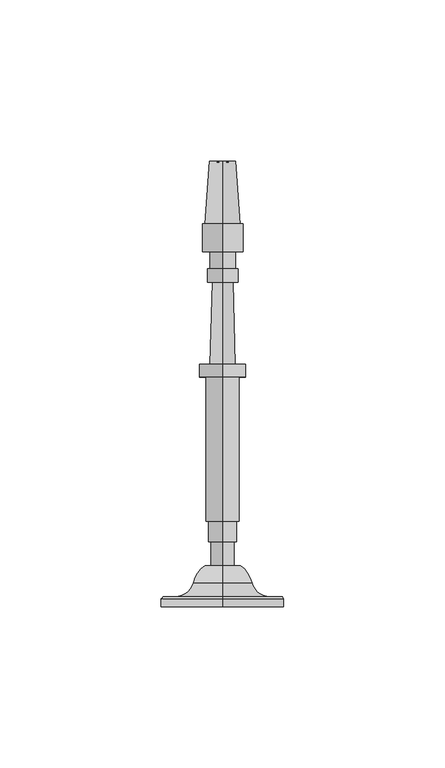
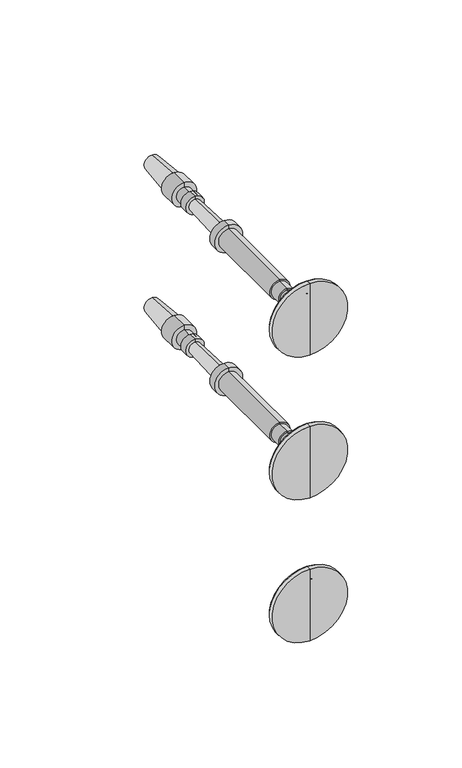
"""IFC4 building model written with IfcOpenShell, lengths in millimetres: railing geometry."""

from ifc_helpers import new_model, si_unit, point, frame, origin, place, context, project, spatial, polyline, circle_curve, ellipse_curve, trimmed, source, transform, mapped, element, save
from ifc_brep_helpers import plane_surface, cylinder_surface, revolved_surface, advanced_brep


def railing_d52af2fc(model_context):
    return source(origin(), model_context, "Body", "AdvancedBrep", [
        advanced_brep(
        [(4097.4568095, 16755.5660637, 32915.0001631), (4097.4568095, 16755.5660637, 32934.0501631), (4097.4568095, 16755.5660637, 32895.9501631), (4097.4568095, 16768.2587003, 32909.4769785), (4097.4568095, 16768.2587003, 32920.5233478), (4097.4568095, 16768.2587003, 32915.0001631), (4097.4568095, 16762.9826039, 32905.8720381), (4097.4568095, 16762.9826039, 32924.1282881), (4097.4568095, 16758.6169789, 32900.2458254), (4097.4568095, 16758.6169789, 32929.7545009), (4097.4568095, 16758.6169789, 32896.3762941), (4097.4568095, 16758.6169789, 32933.6240321), (4097.4568095, 16757.9473137, 32895.9501631), (4097.4568095, 16757.9473137, 32934.0501631)],
        [
            (0, 1),
            (1, 2, circle_curve(frame((4097.4568095, 16755.5660637, 32915.0001631), z_axis=(0.0, -1.0, 0.0), x_axis=(0.0, 0.0, 1.0)), 19.05)),
            (2, 0),
            (2, 1, circle_curve(frame((4097.4568095, 16755.5660637, 32915.0001631), z_axis=(0.0, -1.0, 0.0), x_axis=(0.0, 0.0, 1.0)), 19.05)),
            (3, 4, circle_curve(frame((4097.4568095, 16768.2587003, 32915.0001631), z_axis=(0.0, 1.0, 0.0), x_axis=(0.0, 0.0, 1.0)), 5.5231846)),
            (4, 5),
            (5, 3),
            (4, 3, circle_curve(frame((4097.4568095, 16768.2587003, 32915.0001631), z_axis=(0.0, 1.0, 0.0), x_axis=(0.0, 0.0, 1.0)), 5.5231846)),
            (6, 7, circle_curve(frame((4097.4568095, 16762.9826039, 32915.0001631), z_axis=(0.0, 1.0, 0.0), x_axis=(0.0, 0.0, 1.0)), 9.128125)),
            (7, 4, circle_curve(frame((4097.4568095, 16760.6581952, 32915.0628958), z_axis=(-1.0, 0.0, 0.0), x_axis=(0.0, 1.0, 0.0)), 9.3586438)),
            (3, 6, circle_curve(frame((4097.4568095, 16760.6581952, 32914.9374304), z_axis=(-1.0, 0.0, 0.0), x_axis=(0.0, 1.0, 0.0)), 9.3586438)),
            (7, 6, circle_curve(frame((4097.4568095, 16762.9826039, 32915.0001631), z_axis=(0.0, 1.0, 0.0), x_axis=(0.0, 0.0, 1.0)), 9.128125)),
            (8, 9, circle_curve(frame((4097.4568095, 16758.6169789, 32915.0001631), z_axis=(0.0, 1.0, 0.0), x_axis=(0.0, 0.0, 1.0)), 14.7543378)),
            (9, 7, circle_curve(frame((4097.4568095, 16764.4251909, 32929.7545009), z_axis=(1.0, 0.0, 0.0), x_axis=(0.0, 1.0, 0.0)), 5.8082121)),
            (6, 8, circle_curve(frame((4097.4568095, 16764.4251909, 32900.2458254), z_axis=(1.0, 0.0, 0.0), x_axis=(0.0, 1.0, 0.0)), 5.8082121)),
            (9, 8, circle_curve(frame((4097.4568095, 16758.6169789, 32915.0001631), z_axis=(0.0, 1.0, 0.0), x_axis=(0.0, 0.0, 1.0)), 14.7543378)),
            (10, 11, circle_curve(frame((4097.4568095, 16758.6169789, 32915.0001631), z_axis=(0.0, 1.0, 0.0), x_axis=(0.0, 0.0, 1.0)), 18.623869)),
            (11, 9),
            (8, 10),
            (11, 10, circle_curve(frame((4097.4568095, 16758.6169789, 32915.0001631), z_axis=(0.0, 1.0, 0.0), x_axis=(0.0, 0.0, 1.0)), 18.623869)),
            (12, 13, circle_curve(frame((4097.4568095, 16757.9473137, 32915.0001631), z_axis=(0.0, 1.0, 0.0), x_axis=(0.0, 0.0, 1.0)), 19.05)),
            (13, 11),
            (10, 12),
            (13, 12, circle_curve(frame((4097.4568095, 16757.9473137, 32915.0001631), z_axis=(0.0, 1.0, 0.0), x_axis=(0.0, 0.0, 1.0)), 19.05)),
            (1, 13),
            (12, 2),
        ],
        [
            plane_surface(frame((4097.4568095, 16755.5660637, 32915.0001631), z_axis=(0.0, -1.0, 0.0), x_axis=(0.0, 0.0, 1.0))),
            plane_surface(frame((4097.4568095, 16768.2587003, 32915.0001631), z_axis=(0.0, 1.0, 0.0), x_axis=(0.0, 0.0, 1.0))),
            revolved_surface(trimmed(ellipse_curve(frame((4097.4568095, 16760.6581952, 32915.0628958), z_axis=(1.0, 0.0, 0.0), x_axis=(0.0, 1.0, 0.0)), 9.3586438, 9.3586438), [point((4097.4568095, 16768.2587003, 32920.5233478))], [point((4097.4568095, 16762.9826039, 32924.1282881))], True, "CARTESIAN"), (4097.4568095, 16755.5660637, 32915.0001631), (0.0, -1.0, 0.0)),
            revolved_surface(trimmed(ellipse_curve(frame((4097.4568095, 16764.4251909, 32929.7545009), z_axis=(-1.0, 0.0, 0.0), x_axis=(0.0, 1.0, 0.0)), 5.8082121, 5.8082121), [point((4097.4568095, 16762.9826039, 32924.1282881))], [point((4097.4568095, 16758.6169789, 32929.7545009))], True, "CARTESIAN"), (4097.4568095, 16755.5660637, 32915.0001631), (0.0, -1.0, 0.0)),
            plane_surface(frame((4097.4568095, 16758.6169789, 32915.0001631), z_axis=(0.0, 1.0, 0.0), x_axis=(0.0, 0.0, 1.0))),
            revolved_surface(polyline([(4097.4568095, 16758.6169789, 32933.6240321), (4097.4568095, 16757.9473137, 32934.0501631)]), (4097.4568095, 16755.5660637, 32915.0001631), (0.0, -1.0, 0.0)),
            cylinder_surface(frame((4097.4568095, 16755.5660637, 32915.0001631), z_axis=(0.0, -1.0, 0.0), x_axis=(0.0, 0.0, 1.0)), 19.05),
        ],
        [
            (0, [[1, 2, 3]]),
            (0, [[-3, 4, -1]]),
            (1, [[5, 6, 7]]),
            (1, [[8, -7, -6]]),
            (2, [[9, 10, -5, 11]]),
            (2, [[12, -11, -8, -10]]),
            (3, [[13, 14, -9, 15]]),
            (3, [[16, -15, -12, -14]]),
            (4, [[17, 18, -13, 19]]),
            (4, [[20, -19, -16, -18]]),
            (5, [[21, 22, -17, 23]]),
            (5, [[24, -23, -20, -22]]),
            (6, [[-2, 25, -21, 26]]),
            (6, [[-4, -26, -24, -25]]),
        ],
    ),
        advanced_brep(
        [(4097.4568095, 16768.2587003, 32911.4282881), (4097.4568095, 16768.2587003, 32915.0001631), (4097.4568095, 16768.2587003, 32918.5720381), (4097.4568095, 16893.2025896, 32915.0001631), (4097.4568095, 16893.4982539, 32910.9757028), (4097.4568095, 16893.4982539, 32919.0246235), (4097.4568095, 16874.1548899, 32909.5546072), (4097.4568095, 16874.1548899, 32920.445719), (4097.4568095, 16874.1548899, 32908.6616385), (4097.4568095, 16874.1548899, 32921.3386877), (4097.4568095, 16865.5228587, 32908.6616385), (4097.4568095, 16865.5228587, 32921.3386877), (4097.4568095, 16865.5228587, 32911.0428885), (4097.4568095, 16865.5228587, 32918.9574377), (4097.4568095, 16860.1650462, 32911.0428885), (4097.4568095, 16860.1650462, 32918.9574377), (4097.4568095, 16860.1650462, 32910.2491385), (4097.4568095, 16860.1650462, 32919.7511877), (4097.4568095, 16856.0970774, 32910.2491385), (4097.4568095, 16856.0970774, 32919.7511877), (4097.4568095, 16856.0529903, 32911.8360262), (4097.4568095, 16856.0529903, 32918.1643), (4097.4568095, 16830.6627871, 32911.1306319), (4097.4568095, 16830.6627871, 32918.8696944), (4097.4568095, 16830.6627871, 32907.8564131), (4097.4568095, 16830.6627871, 32922.1439131), (4097.4568095, 16826.6940371, 32907.8564131), (4097.4568095, 16826.6940371, 32922.1439131), (4097.4568095, 16826.6940371, 32909.8407881), (4097.4568095, 16826.6940371, 32920.1595381), (4097.4568095, 16781.9463808, 32909.8407881), (4097.4568095, 16781.9463808, 32920.1595381), (4097.4568095, 16781.9463808, 32910.6345381), (4097.4568095, 16781.9463808, 32919.3657881), (4097.4568095, 16775.5963808, 32910.6345381), (4097.4568095, 16775.5963808, 32919.3657881), (4097.4568095, 16775.5963808, 32911.4282881), (4097.4568095, 16775.5963808, 32918.5720381)],
        [
            (0, 1),
            (1, 2),
            (2, 0, circle_curve(frame((4097.4568095, 16768.2587003, 32915.0001631), z_axis=(0.0, -1.0, 0.0), x_axis=(0.0, 0.0, 1.0000000000000002)), 3.571875)),
            (0, 2, circle_curve(frame((4097.4568095, 16768.2587003, 32915.0001631), z_axis=(0.0, -1.0, 0.0), x_axis=(0.0, 0.0, 1.0000000000000002)), 3.571875)),
            (3, 4),
            (4, 5, circle_curve(frame((4097.4568095, 16893.4982539, 32915.0001631), z_axis=(0.0, 1.0, 0.0), x_axis=(0.0, 0.0, 1.0000000000000002)), 4.0244604)),
            (5, 3),
            (5, 4, circle_curve(frame((4097.4568095, 16893.4982539, 32915.0001631), z_axis=(0.0, 1.0, 0.0), x_axis=(0.0, 0.0, 1.0000000000000002)), 4.0244604)),
            (4, 6),
            (6, 7, circle_curve(frame((4097.4568095, 16874.1548899, 32915.0001631), z_axis=(0.0, 1.0, 0.0), x_axis=(0.0, 0.0, 1.0000000000000002)), 5.4455559)),
            (7, 5),
            (7, 6, circle_curve(frame((4097.4568095, 16874.1548899, 32915.0001631), z_axis=(0.0, 1.0, 0.0), x_axis=(0.0, 0.0, 1.0000000000000002)), 5.4455559)),
            (6, 8),
            (8, 9, circle_curve(frame((4097.4568095, 16874.1548899, 32915.0001631), z_axis=(0.0, 1.0, 0.0), x_axis=(0.0, 0.0, 1.0000000000000002)), 6.3385246)),
            (9, 7),
            (9, 8, circle_curve(frame((4097.4568095, 16874.1548899, 32915.0001631), z_axis=(0.0, 1.0, 0.0), x_axis=(0.0, 0.0, 1.0000000000000002)), 6.3385246)),
            (8, 10),
            (10, 11, circle_curve(frame((4097.4568095, 16865.5228587, 32915.0001631), z_axis=(0.0, 1.0, 0.0), x_axis=(0.0, 0.0, 1.0000000000000002)), 6.3385246)),
            (11, 9),
            (11, 10, circle_curve(frame((4097.4568095, 16865.5228587, 32915.0001631), z_axis=(0.0, 1.0, 0.0), x_axis=(0.0, 0.0, 1.0000000000000002)), 6.3385246)),
            (10, 12),
            (12, 13, circle_curve(frame((4097.4568095, 16865.5228587, 32915.0001631), z_axis=(0.0, 1.0, 0.0), x_axis=(0.0, 0.0, 1.0000000000000002)), 3.9572746)),
            (13, 11),
            (13, 12, circle_curve(frame((4097.4568095, 16865.5228587, 32915.0001631), z_axis=(0.0, 1.0, 0.0), x_axis=(0.0, 0.0, 1.0000000000000002)), 3.9572746)),
            (12, 14),
            (14, 15, circle_curve(frame((4097.4568095, 16860.1650462, 32915.0001631), z_axis=(0.0, 1.0, 0.0), x_axis=(0.0, 0.0, 1.0000000000000002)), 3.9572746)),
            (15, 13),
            (15, 14, circle_curve(frame((4097.4568095, 16860.1650462, 32915.0001631), z_axis=(0.0, 1.0, 0.0), x_axis=(0.0, 0.0, 1.0000000000000002)), 3.9572746)),
            (14, 16),
            (16, 17, circle_curve(frame((4097.4568095, 16860.1650462, 32915.0001631), z_axis=(0.0, 1.0, 0.0), x_axis=(0.0, 0.0, 1.0000000000000002)), 4.7510246)),
            (17, 15),
            (17, 16, circle_curve(frame((4097.4568095, 16860.1650462, 32915.0001631), z_axis=(0.0, 1.0, 0.0), x_axis=(0.0, 0.0, 1.0000000000000002)), 4.7510246)),
            (16, 18),
            (18, 19, circle_curve(frame((4097.4568095, 16856.0970774, 32915.0001631), z_axis=(0.0, 1.0, 0.0), x_axis=(0.0, 0.0, 1.0000000000000002)), 4.7510246)),
            (19, 17),
            (19, 18, circle_curve(frame((4097.4568095, 16856.0970774, 32915.0001631), z_axis=(0.0, 1.0, 0.0), x_axis=(0.0, 0.0, 1.0000000000000002)), 4.7510246)),
            (18, 20),
            (20, 21, circle_curve(frame((4097.4568095, 16856.0529903, 32915.0001631), z_axis=(0.0, 1.0, 0.0), x_axis=(0.0, 0.0, 1.0000000000000002)), 3.1641369)),
            (21, 19),
            (21, 20, circle_curve(frame((4097.4568095, 16856.0529903, 32915.0001631), z_axis=(0.0, 1.0, 0.0), x_axis=(0.0, 0.0, 1.0000000000000002)), 3.1641369)),
            (20, 22),
            (22, 23, circle_curve(frame((4097.4568095, 16830.6627871, 32915.0001631), z_axis=(0.0, 1.0, 0.0), x_axis=(0.0, 0.0, 1.0000000000000002)), 3.8695313)),
            (23, 21),
            (23, 22, circle_curve(frame((4097.4568095, 16830.6627871, 32915.0001631), z_axis=(0.0, 1.0, 0.0), x_axis=(0.0, 0.0, 1.0000000000000002)), 3.8695313)),
            (22, 24),
            (24, 25, circle_curve(frame((4097.4568095, 16830.6627871, 32915.0001631), z_axis=(0.0, 1.0, 0.0), x_axis=(0.0, 0.0, 1.0000000000000002)), 7.14375)),
            (25, 23),
            (25, 24, circle_curve(frame((4097.4568095, 16830.6627871, 32915.0001631), z_axis=(0.0, 1.0, 0.0), x_axis=(0.0, 0.0, 1.0000000000000002)), 7.14375)),
            (24, 26),
            (26, 27, circle_curve(frame((4097.4568095, 16826.6940371, 32915.0001631), z_axis=(0.0, 1.0, 0.0), x_axis=(0.0, 0.0, 1.0000000000000002)), 7.14375)),
            (27, 25),
            (27, 26, circle_curve(frame((4097.4568095, 16826.6940371, 32915.0001631), z_axis=(0.0, 1.0, 0.0), x_axis=(0.0, 0.0, 1.0000000000000002)), 7.14375)),
            (26, 28),
            (28, 29, circle_curve(frame((4097.4568095, 16826.6940371, 32915.0001631), z_axis=(0.0, 1.0, 0.0), x_axis=(0.0, 0.0, 1.0000000000000002)), 5.159375)),
            (29, 27),
            (29, 28, circle_curve(frame((4097.4568095, 16826.6940371, 32915.0001631), z_axis=(0.0, 1.0, 0.0), x_axis=(0.0, 0.0, 1.0000000000000002)), 5.159375)),
            (28, 30),
            (30, 31, circle_curve(frame((4097.4568095, 16781.9463808, 32915.0001631), z_axis=(0.0, 1.0, 0.0), x_axis=(0.0, 0.0, 1.0000000000000002)), 5.159375)),
            (31, 29),
            (31, 30, circle_curve(frame((4097.4568095, 16781.9463808, 32915.0001631), z_axis=(0.0, 1.0, 0.0), x_axis=(0.0, 0.0, 1.0000000000000002)), 5.159375)),
            (30, 32),
            (32, 33, circle_curve(frame((4097.4568095, 16781.9463808, 32915.0001631), z_axis=(0.0, 1.0, 0.0), x_axis=(0.0, 0.0, 1.0000000000000002)), 4.365625)),
            (33, 31),
            (33, 32, circle_curve(frame((4097.4568095, 16781.9463808, 32915.0001631), z_axis=(0.0, 1.0, 0.0), x_axis=(0.0, 0.0, 1.0000000000000002)), 4.365625)),
            (32, 34),
            (34, 35, circle_curve(frame((4097.4568095, 16775.5963808, 32915.0001631), z_axis=(0.0, 1.0, 0.0), x_axis=(0.0, 0.0, 1.0000000000000002)), 4.365625)),
            (35, 33),
            (35, 34, circle_curve(frame((4097.4568095, 16775.5963808, 32915.0001631), z_axis=(0.0, 1.0, 0.0), x_axis=(0.0, 0.0, 1.0000000000000002)), 4.365625)),
            (34, 36),
            (36, 37, circle_curve(frame((4097.4568095, 16775.5963808, 32915.0001631), z_axis=(0.0, 1.0, 0.0), x_axis=(0.0, 0.0, 1.0000000000000002)), 3.571875)),
            (37, 35),
            (37, 36, circle_curve(frame((4097.4568095, 16775.5963808, 32915.0001631), z_axis=(0.0, 1.0, 0.0), x_axis=(0.0, 0.0, 1.0000000000000002)), 3.571875)),
            (36, 0),
            (2, 37),
        ],
        [
            plane_surface(frame((4097.4568095, 16768.2587003, 32915.0001631), z_axis=(0.0, -1.0, 0.0), x_axis=(0.0, 0.0, 1.0))),
            revolved_surface(polyline([(4097.4568095, 16893.4982539, 32919.0246235), (4097.4568095, 16893.2025896, 32915.0001631)]), (4097.4568095, 16893.2025896, 32915.0001631), (0.0, 1.0, 0.0)),
            revolved_surface(polyline([(4097.4568095, 16874.1548899, 32920.445719), (4097.4568095, 16893.4982539, 32919.0246235)]), (4097.4568095, 16893.2025896, 32915.0001631), (0.0, 1.0, 0.0)),
            plane_surface(frame((4097.4568095, 16874.1548899, 32915.0001631), z_axis=(0.0, 1.0, 0.0), x_axis=(0.0, 0.0, 1.0))),
            cylinder_surface(frame((4097.4568095, 16893.2025896, 32915.0001631), z_axis=(0.0, 1.0, 0.0), x_axis=(0.0, 0.0, 1.0000000000000002)), 6.3385246),
            plane_surface(frame((4097.4568095, 16865.5228587, 32915.0001631), z_axis=(0.0, -1.0, 0.0), x_axis=(0.0, 0.0, 1.0))),
            cylinder_surface(frame((4097.4568095, 16893.2025896, 32915.0001631), z_axis=(0.0, 1.0, 0.0), x_axis=(0.0, 0.0, 1.0000000000000002)), 3.9572746),
            plane_surface(frame((4097.4568095, 16860.1650462, 32915.0001631), z_axis=(0.0, 1.0, 0.0), x_axis=(0.0, 0.0, 1.0))),
            cylinder_surface(frame((4097.4568095, 16893.2025896, 32915.0001631), z_axis=(0.0, 1.0, 0.0), x_axis=(0.0, 0.0, 1.0000000000000002)), 4.7510246),
            plane_surface(frame((4097.4568095, 16856.0529903, 32915.0001631), z_axis=(0.0, -1.0, 0.0), x_axis=(0.0, 0.0, 1.0))),
            revolved_surface(polyline([(4097.4568095, 16830.6627871, 32918.8696944), (4097.4568095, 16856.0529903, 32918.1643)]), (4097.4568095, 16893.2025896, 32915.0001631), (0.0, 1.0, 0.0)),
            plane_surface(frame((4097.4568095, 16830.6627871, 32915.0001631), z_axis=(0.0, 1.0, 0.0), x_axis=(0.0, 0.0, 1.0))),
            cylinder_surface(frame((4097.4568095, 16893.2025896, 32915.0001631), z_axis=(0.0, 1.0, 0.0), x_axis=(0.0, 0.0, 1.0000000000000002)), 7.14375),
            plane_surface(frame((4097.4568095, 16826.6940371, 32915.0001631), z_axis=(0.0, -1.0, 0.0), x_axis=(0.0, 0.0, 1.0))),
            cylinder_surface(frame((4097.4568095, 16893.2025896, 32915.0001631), z_axis=(0.0, 1.0, 0.0), x_axis=(0.0, 0.0, 1.0000000000000002)), 5.159375),
            plane_surface(frame((4097.4568095, 16781.9463808, 32915.0001631), z_axis=(0.0, -1.0, 0.0), x_axis=(0.0, 0.0, 1.0))),
            cylinder_surface(frame((4097.4568095, 16893.2025896, 32915.0001631), z_axis=(0.0, 1.0, 0.0), x_axis=(0.0, 0.0, 1.0000000000000002)), 4.365625),
            plane_surface(frame((4097.4568095, 16775.5963808, 32915.0001631), z_axis=(0.0, -1.0, 0.0), x_axis=(0.0, 0.0, 1.0))),
            cylinder_surface(frame((4097.4568095, 16893.2025896, 32915.0001631), z_axis=(0.0, 1.0, 0.0), x_axis=(0.0, 0.0, 1.0000000000000002)), 3.571875),
        ],
        [
            (0, [[1, 2, 3]]),
            (0, [[-2, -1, 4]]),
            (1, [[5, 6, 7]]),
            (1, [[-7, 8, -5]]),
            (2, [[9, 10, 11, -6]]),
            (2, [[-11, 12, -9, -8]]),
            (3, [[13, 14, 15, -10]]),
            (3, [[-15, 16, -13, -12]]),
            (4, [[17, 18, 19, -14]]),
            (4, [[-19, 20, -17, -16]]),
            (5, [[21, 22, 23, -18]]),
            (5, [[-23, 24, -21, -20]]),
            (6, [[25, 26, 27, -22]]),
            (6, [[-27, 28, -25, -24]]),
            (7, [[29, 30, 31, -26]]),
            (7, [[-31, 32, -29, -28]]),
            (8, [[33, 34, 35, -30]]),
            (8, [[-35, 36, -33, -32]]),
            (9, [[37, 38, 39, -34]]),
            (9, [[-39, 40, -37, -36]]),
            (10, [[41, 42, 43, -38]]),
            (10, [[-43, 44, -41, -40]]),
            (11, [[45, 46, 47, -42]]),
            (11, [[-47, 48, -45, -44]]),
            (12, [[49, 50, 51, -46]]),
            (12, [[-51, 52, -49, -48]]),
            (13, [[53, 54, 55, -50]]),
            (13, [[-55, 56, -53, -52]]),
            (14, [[57, 58, 59, -54]]),
            (14, [[-59, 60, -57, -56]]),
            (15, [[61, 62, 63, -58]]),
            (15, [[-63, 64, -61, -60]]),
            (16, [[65, 66, 67, -62]]),
            (16, [[-67, 68, -65, -64]]),
            (17, [[69, 70, 71, -66]]),
            (17, [[-71, 72, -69, -68]]),
            (18, [[73, -3, 74, -70]]),
            (18, [[-74, -4, -73, -72]]),
        ],
    ),
        advanced_brep(
        [(4097.4568095, 16755.5660637, 32838.8001631), (4097.4568095, 16755.5660637, 32857.8501631), (4097.4568095, 16755.5660637, 32819.7501631), (4097.4568095, 16768.2587003, 32833.2769785), (4097.4568095, 16768.2587003, 32844.3233478), (4097.4568095, 16768.2587003, 32838.8001631), (4097.4568095, 16762.9826039, 32829.6720381), (4097.4568095, 16762.9826039, 32847.9282881), (4097.4568095, 16758.6169789, 32824.0458254), (4097.4568095, 16758.6169789, 32853.5545009), (4097.4568095, 16758.6169789, 32820.1762941), (4097.4568095, 16758.6169789, 32857.4240321), (4097.4568095, 16757.9473137, 32819.7501631), (4097.4568095, 16757.9473137, 32857.8501631)],
        [
            (0, 1),
            (1, 2, circle_curve(frame((4097.4568095, 16755.5660637, 32838.8001631), z_axis=(0.0, -1.0, 0.0), x_axis=(0.0, 0.0, 1.0)), 19.05)),
            (2, 0),
            (2, 1, circle_curve(frame((4097.4568095, 16755.5660637, 32838.8001631), z_axis=(0.0, -1.0, 0.0), x_axis=(0.0, 0.0, 1.0)), 19.05)),
            (3, 4, circle_curve(frame((4097.4568095, 16768.2587003, 32838.8001631), z_axis=(0.0, 1.0, 0.0), x_axis=(0.0, 0.0, 1.0)), 5.5231846)),
            (4, 5),
            (5, 3),
            (4, 3, circle_curve(frame((4097.4568095, 16768.2587003, 32838.8001631), z_axis=(0.0, 1.0, 0.0), x_axis=(0.0, 0.0, 1.0)), 5.5231846)),
            (6, 7, circle_curve(frame((4097.4568095, 16762.9826039, 32838.8001631), z_axis=(0.0, 1.0, 0.0), x_axis=(0.0, 0.0, 1.0)), 9.128125)),
            (7, 4, circle_curve(frame((4097.4568095, 16760.6581952, 32838.8628958), z_axis=(-1.0, 0.0, 0.0), x_axis=(0.0, 1.0, 0.0)), 9.3586438)),
            (3, 6, circle_curve(frame((4097.4568095, 16760.6581952, 32838.7374304), z_axis=(-1.0, 0.0, 0.0), x_axis=(0.0, 1.0, 0.0)), 9.3586438)),
            (7, 6, circle_curve(frame((4097.4568095, 16762.9826039, 32838.8001631), z_axis=(0.0, 1.0, 0.0), x_axis=(0.0, 0.0, 1.0)), 9.128125)),
            (8, 9, circle_curve(frame((4097.4568095, 16758.6169789, 32838.8001631), z_axis=(0.0, 1.0, 0.0), x_axis=(0.0, 0.0, 1.0)), 14.7543378)),
            (9, 7, circle_curve(frame((4097.4568095, 16764.4251909, 32853.5545009), z_axis=(1.0, 0.0, 0.0), x_axis=(0.0, 1.0, 0.0)), 5.8082121)),
            (6, 8, circle_curve(frame((4097.4568095, 16764.4251909, 32824.0458254), z_axis=(1.0, 0.0, 0.0), x_axis=(0.0, 1.0, 0.0)), 5.8082121)),
            (9, 8, circle_curve(frame((4097.4568095, 16758.6169789, 32838.8001631), z_axis=(0.0, 1.0, 0.0), x_axis=(0.0, 0.0, 1.0)), 14.7543378)),
            (10, 11, circle_curve(frame((4097.4568095, 16758.6169789, 32838.8001631), z_axis=(0.0, 1.0, 0.0), x_axis=(0.0, 0.0, 1.0)), 18.623869)),
            (11, 9),
            (8, 10),
            (11, 10, circle_curve(frame((4097.4568095, 16758.6169789, 32838.8001631), z_axis=(0.0, 1.0, 0.0), x_axis=(0.0, 0.0, 1.0)), 18.623869)),
            (12, 13, circle_curve(frame((4097.4568095, 16757.9473137, 32838.8001631), z_axis=(0.0, 1.0, 0.0), x_axis=(0.0, 0.0, 1.0)), 19.05)),
            (13, 11),
            (10, 12),
            (13, 12, circle_curve(frame((4097.4568095, 16757.9473137, 32838.8001631), z_axis=(0.0, 1.0, 0.0), x_axis=(0.0, 0.0, 1.0)), 19.05)),
            (1, 13),
            (12, 2),
        ],
        [
            plane_surface(frame((4097.4568095, 16755.5660637, 32838.8001631), z_axis=(0.0, -1.0, 0.0), x_axis=(0.0, 0.0, 1.0))),
            plane_surface(frame((4097.4568095, 16768.2587003, 32838.8001631), z_axis=(0.0, 1.0, 0.0), x_axis=(0.0, 0.0, 1.0))),
            revolved_surface(trimmed(ellipse_curve(frame((4097.4568095, 16760.6581952, 32838.8628958), z_axis=(1.0, 0.0, 0.0), x_axis=(0.0, 1.0, 0.0)), 9.3586438, 9.3586438), [point((4097.4568095, 16768.2587003, 32844.3233478))], [point((4097.4568095, 16762.9826039, 32847.9282881))], True, "CARTESIAN"), (4097.4568095, 16755.5660637, 32838.8001631), (0.0, -1.0, 0.0)),
            revolved_surface(trimmed(ellipse_curve(frame((4097.4568095, 16764.4251909, 32853.5545009), z_axis=(-1.0, 0.0, 0.0), x_axis=(0.0, 1.0, 0.0)), 5.8082121, 5.8082121), [point((4097.4568095, 16762.9826039, 32847.9282881))], [point((4097.4568095, 16758.6169789, 32853.5545009))], True, "CARTESIAN"), (4097.4568095, 16755.5660637, 32838.8001631), (0.0, -1.0, 0.0)),
            plane_surface(frame((4097.4568095, 16758.6169789, 32838.8001631), z_axis=(0.0, 1.0, 0.0), x_axis=(0.0, 0.0, 1.0))),
            revolved_surface(polyline([(4097.4568095, 16758.6169789, 32857.4240321), (4097.4568095, 16757.9473137, 32857.8501631)]), (4097.4568095, 16755.5660637, 32838.8001631), (0.0, -1.0, 0.0)),
            cylinder_surface(frame((4097.4568095, 16755.5660637, 32838.8001631), z_axis=(0.0, -1.0, 0.0), x_axis=(0.0, 0.0, 1.0)), 19.05),
        ],
        [
            (0, [[1, 2, 3]]),
            (0, [[-3, 4, -1]]),
            (1, [[5, 6, 7]]),
            (1, [[8, -7, -6]]),
            (2, [[9, 10, -5, 11]]),
            (2, [[12, -11, -8, -10]]),
            (3, [[13, 14, -9, 15]]),
            (3, [[16, -15, -12, -14]]),
            (4, [[17, 18, -13, 19]]),
            (4, [[20, -19, -16, -18]]),
            (5, [[21, 22, -17, 23]]),
            (5, [[24, -23, -20, -22]]),
            (6, [[-2, 25, -21, 26]]),
            (6, [[-4, -26, -24, -25]]),
        ],
    ),
        advanced_brep(
        [(4097.4568095, 16768.2587003, 32835.2282881), (4097.4568095, 16768.2587003, 32838.8001631), (4097.4568095, 16768.2587003, 32842.3720381), (4097.4568095, 16893.2025896, 32838.8001631), (4097.4568095, 16893.4982539, 32834.7757028), (4097.4568095, 16893.4982539, 32842.8246235), (4097.4568095, 16874.1548899, 32833.3546072), (4097.4568095, 16874.1548899, 32844.245719), (4097.4568095, 16874.1548899, 32832.4616385), (4097.4568095, 16874.1548899, 32845.1386877), (4097.4568095, 16865.5228587, 32832.4616385), (4097.4568095, 16865.5228587, 32845.1386877), (4097.4568095, 16865.5228587, 32834.8428885), (4097.4568095, 16865.5228587, 32842.7574377), (4097.4568095, 16860.1650462, 32834.8428885), (4097.4568095, 16860.1650462, 32842.7574377), (4097.4568095, 16860.1650462, 32834.0491385), (4097.4568095, 16860.1650462, 32843.5511877), (4097.4568095, 16856.0970774, 32834.0491385), (4097.4568095, 16856.0970774, 32843.5511877), (4097.4568095, 16856.0529903, 32835.6360262), (4097.4568095, 16856.0529903, 32841.9643), (4097.4568095, 16830.6627871, 32834.9306319), (4097.4568095, 16830.6627871, 32842.6696944), (4097.4568095, 16830.6627871, 32831.6564131), (4097.4568095, 16830.6627871, 32845.9439131), (4097.4568095, 16826.6940371, 32831.6564131), (4097.4568095, 16826.6940371, 32845.9439131), (4097.4568095, 16826.6940371, 32833.6407881), (4097.4568095, 16826.6940371, 32843.9595381), (4097.4568095, 16781.9463808, 32833.6407881), (4097.4568095, 16781.9463808, 32843.9595381), (4097.4568095, 16781.9463808, 32834.4345381), (4097.4568095, 16781.9463808, 32843.1657881), (4097.4568095, 16775.5963808, 32834.4345381), (4097.4568095, 16775.5963808, 32843.1657881), (4097.4568095, 16775.5963808, 32835.2282881), (4097.4568095, 16775.5963808, 32842.3720381)],
        [
            (0, 1),
            (1, 2),
            (2, 0, circle_curve(frame((4097.4568095, 16768.2587003, 32838.8001631), z_axis=(0.0, -1.0, 0.0), x_axis=(0.0, 0.0, 1.0000000000000002)), 3.571875)),
            (0, 2, circle_curve(frame((4097.4568095, 16768.2587003, 32838.8001631), z_axis=(0.0, -1.0, 0.0), x_axis=(0.0, 0.0, 1.0000000000000002)), 3.571875)),
            (3, 4),
            (4, 5, circle_curve(frame((4097.4568095, 16893.4982539, 32838.8001631), z_axis=(0.0, 1.0, 0.0), x_axis=(0.0, 0.0, 1.0000000000000002)), 4.0244604)),
            (5, 3),
            (5, 4, circle_curve(frame((4097.4568095, 16893.4982539, 32838.8001631), z_axis=(0.0, 1.0, 0.0), x_axis=(0.0, 0.0, 1.0000000000000002)), 4.0244604)),
            (4, 6),
            (6, 7, circle_curve(frame((4097.4568095, 16874.1548899, 32838.8001631), z_axis=(0.0, 1.0, 0.0), x_axis=(0.0, 0.0, 1.0000000000000002)), 5.4455559)),
            (7, 5),
            (7, 6, circle_curve(frame((4097.4568095, 16874.1548899, 32838.8001631), z_axis=(0.0, 1.0, 0.0), x_axis=(0.0, 0.0, 1.0000000000000002)), 5.4455559)),
            (6, 8),
            (8, 9, circle_curve(frame((4097.4568095, 16874.1548899, 32838.8001631), z_axis=(0.0, 1.0, 0.0), x_axis=(0.0, 0.0, 1.0000000000000002)), 6.3385246)),
            (9, 7),
            (9, 8, circle_curve(frame((4097.4568095, 16874.1548899, 32838.8001631), z_axis=(0.0, 1.0, 0.0), x_axis=(0.0, 0.0, 1.0000000000000002)), 6.3385246)),
            (8, 10),
            (10, 11, circle_curve(frame((4097.4568095, 16865.5228587, 32838.8001631), z_axis=(0.0, 1.0, 0.0), x_axis=(0.0, 0.0, 1.0000000000000002)), 6.3385246)),
            (11, 9),
            (11, 10, circle_curve(frame((4097.4568095, 16865.5228587, 32838.8001631), z_axis=(0.0, 1.0, 0.0), x_axis=(0.0, 0.0, 1.0000000000000002)), 6.3385246)),
            (10, 12),
            (12, 13, circle_curve(frame((4097.4568095, 16865.5228587, 32838.8001631), z_axis=(0.0, 1.0, 0.0), x_axis=(0.0, 0.0, 1.0000000000000002)), 3.9572746)),
            (13, 11),
            (13, 12, circle_curve(frame((4097.4568095, 16865.5228587, 32838.8001631), z_axis=(0.0, 1.0, 0.0), x_axis=(0.0, 0.0, 1.0000000000000002)), 3.9572746)),
            (12, 14),
            (14, 15, circle_curve(frame((4097.4568095, 16860.1650462, 32838.8001631), z_axis=(0.0, 1.0, 0.0), x_axis=(0.0, 0.0, 1.0000000000000002)), 3.9572746)),
            (15, 13),
            (15, 14, circle_curve(frame((4097.4568095, 16860.1650462, 32838.8001631), z_axis=(0.0, 1.0, 0.0), x_axis=(0.0, 0.0, 1.0000000000000002)), 3.9572746)),
            (14, 16),
            (16, 17, circle_curve(frame((4097.4568095, 16860.1650462, 32838.8001631), z_axis=(0.0, 1.0, 0.0), x_axis=(0.0, 0.0, 1.0000000000000002)), 4.7510246)),
            (17, 15),
            (17, 16, circle_curve(frame((4097.4568095, 16860.1650462, 32838.8001631), z_axis=(0.0, 1.0, 0.0), x_axis=(0.0, 0.0, 1.0000000000000002)), 4.7510246)),
            (16, 18),
            (18, 19, circle_curve(frame((4097.4568095, 16856.0970774, 32838.8001631), z_axis=(0.0, 1.0, 0.0), x_axis=(0.0, 0.0, 1.0000000000000002)), 4.7510246)),
            (19, 17),
            (19, 18, circle_curve(frame((4097.4568095, 16856.0970774, 32838.8001631), z_axis=(0.0, 1.0, 0.0), x_axis=(0.0, 0.0, 1.0000000000000002)), 4.7510246)),
            (18, 20),
            (20, 21, circle_curve(frame((4097.4568095, 16856.0529903, 32838.8001631), z_axis=(0.0, 1.0, 0.0), x_axis=(0.0, 0.0, 1.0000000000000002)), 3.1641369)),
            (21, 19),
            (21, 20, circle_curve(frame((4097.4568095, 16856.0529903, 32838.8001631), z_axis=(0.0, 1.0, 0.0), x_axis=(0.0, 0.0, 1.0000000000000002)), 3.1641369)),
            (20, 22),
            (22, 23, circle_curve(frame((4097.4568095, 16830.6627871, 32838.8001631), z_axis=(0.0, 1.0, 0.0), x_axis=(0.0, 0.0, 1.0000000000000002)), 3.8695313)),
            (23, 21),
            (23, 22, circle_curve(frame((4097.4568095, 16830.6627871, 32838.8001631), z_axis=(0.0, 1.0, 0.0), x_axis=(0.0, 0.0, 1.0000000000000002)), 3.8695313)),
            (22, 24),
            (24, 25, circle_curve(frame((4097.4568095, 16830.6627871, 32838.8001631), z_axis=(0.0, 1.0, 0.0), x_axis=(0.0, 0.0, 1.0000000000000002)), 7.14375)),
            (25, 23),
            (25, 24, circle_curve(frame((4097.4568095, 16830.6627871, 32838.8001631), z_axis=(0.0, 1.0, 0.0), x_axis=(0.0, 0.0, 1.0000000000000002)), 7.14375)),
            (24, 26),
            (26, 27, circle_curve(frame((4097.4568095, 16826.6940371, 32838.8001631), z_axis=(0.0, 1.0, 0.0), x_axis=(0.0, 0.0, 1.0000000000000002)), 7.14375)),
            (27, 25),
            (27, 26, circle_curve(frame((4097.4568095, 16826.6940371, 32838.8001631), z_axis=(0.0, 1.0, 0.0), x_axis=(0.0, 0.0, 1.0000000000000002)), 7.14375)),
            (26, 28),
            (28, 29, circle_curve(frame((4097.4568095, 16826.6940371, 32838.8001631), z_axis=(0.0, 1.0, 0.0), x_axis=(0.0, 0.0, 1.0000000000000002)), 5.159375)),
            (29, 27),
            (29, 28, circle_curve(frame((4097.4568095, 16826.6940371, 32838.8001631), z_axis=(0.0, 1.0, 0.0), x_axis=(0.0, 0.0, 1.0000000000000002)), 5.159375)),
            (28, 30),
            (30, 31, circle_curve(frame((4097.4568095, 16781.9463808, 32838.8001631), z_axis=(0.0, 1.0, 0.0), x_axis=(0.0, 0.0, 1.0000000000000002)), 5.159375)),
            (31, 29),
            (31, 30, circle_curve(frame((4097.4568095, 16781.9463808, 32838.8001631), z_axis=(0.0, 1.0, 0.0), x_axis=(0.0, 0.0, 1.0000000000000002)), 5.159375)),
            (30, 32),
            (32, 33, circle_curve(frame((4097.4568095, 16781.9463808, 32838.8001631), z_axis=(0.0, 1.0, 0.0), x_axis=(0.0, 0.0, 1.0000000000000002)), 4.365625)),
            (33, 31),
            (33, 32, circle_curve(frame((4097.4568095, 16781.9463808, 32838.8001631), z_axis=(0.0, 1.0, 0.0), x_axis=(0.0, 0.0, 1.0000000000000002)), 4.365625)),
            (32, 34),
            (34, 35, circle_curve(frame((4097.4568095, 16775.5963808, 32838.8001631), z_axis=(0.0, 1.0, 0.0), x_axis=(0.0, 0.0, 1.0000000000000002)), 4.365625)),
            (35, 33),
            (35, 34, circle_curve(frame((4097.4568095, 16775.5963808, 32838.8001631), z_axis=(0.0, 1.0, 0.0), x_axis=(0.0, 0.0, 1.0000000000000002)), 4.365625)),
            (34, 36),
            (36, 37, circle_curve(frame((4097.4568095, 16775.5963808, 32838.8001631), z_axis=(0.0, 1.0, 0.0), x_axis=(0.0, 0.0, 1.0000000000000002)), 3.571875)),
            (37, 35),
            (37, 36, circle_curve(frame((4097.4568095, 16775.5963808, 32838.8001631), z_axis=(0.0, 1.0, 0.0), x_axis=(0.0, 0.0, 1.0000000000000002)), 3.571875)),
            (36, 0),
            (2, 37),
        ],
        [
            plane_surface(frame((4097.4568095, 16768.2587003, 32838.8001631), z_axis=(0.0, -1.0, 0.0), x_axis=(0.0, 0.0, 1.0))),
            revolved_surface(polyline([(4097.4568095, 16893.4982539, 32842.8246235), (4097.4568095, 16893.2025896, 32838.8001631)]), (4097.4568095, 16893.2025896, 32838.8001631), (0.0, 1.0, 0.0)),
            revolved_surface(polyline([(4097.4568095, 16874.1548899, 32844.245719), (4097.4568095, 16893.4982539, 32842.8246235)]), (4097.4568095, 16893.2025896, 32838.8001631), (0.0, 1.0, 0.0)),
            plane_surface(frame((4097.4568095, 16874.1548899, 32838.8001631), z_axis=(0.0, 1.0, 0.0), x_axis=(0.0, 0.0, 1.0))),
            cylinder_surface(frame((4097.4568095, 16893.2025896, 32838.8001631), z_axis=(0.0, 1.0, 0.0), x_axis=(0.0, 0.0, 1.0000000000000002)), 6.3385246),
            plane_surface(frame((4097.4568095, 16865.5228587, 32838.8001631), z_axis=(0.0, -1.0, 0.0), x_axis=(0.0, 0.0, 1.0))),
            cylinder_surface(frame((4097.4568095, 16893.2025896, 32838.8001631), z_axis=(0.0, 1.0, 0.0), x_axis=(0.0, 0.0, 1.0000000000000002)), 3.9572746),
            plane_surface(frame((4097.4568095, 16860.1650462, 32838.8001631), z_axis=(0.0, 1.0, 0.0), x_axis=(0.0, 0.0, 1.0))),
            cylinder_surface(frame((4097.4568095, 16893.2025896, 32838.8001631), z_axis=(0.0, 1.0, 0.0), x_axis=(0.0, 0.0, 1.0000000000000002)), 4.7510246),
            plane_surface(frame((4097.4568095, 16856.0529903, 32838.8001631), z_axis=(0.0, -1.0, 0.0), x_axis=(0.0, 0.0, 1.0))),
            revolved_surface(polyline([(4097.4568095, 16830.6627871, 32842.6696944), (4097.4568095, 16856.0529903, 32841.9643)]), (4097.4568095, 16893.2025896, 32838.8001631), (0.0, 1.0, 0.0)),
            plane_surface(frame((4097.4568095, 16830.6627871, 32838.8001631), z_axis=(0.0, 1.0, 0.0), x_axis=(0.0, 0.0, 1.0))),
            cylinder_surface(frame((4097.4568095, 16893.2025896, 32838.8001631), z_axis=(0.0, 1.0, 0.0), x_axis=(0.0, 0.0, 1.0000000000000002)), 7.14375),
            plane_surface(frame((4097.4568095, 16826.6940371, 32838.8001631), z_axis=(0.0, -1.0, 0.0), x_axis=(0.0, 0.0, 1.0))),
            cylinder_surface(frame((4097.4568095, 16893.2025896, 32838.8001631), z_axis=(0.0, 1.0, 0.0), x_axis=(0.0, 0.0, 1.0000000000000002)), 5.159375),
            plane_surface(frame((4097.4568095, 16781.9463808, 32838.8001631), z_axis=(0.0, -1.0, 0.0), x_axis=(0.0, 0.0, 1.0))),
            cylinder_surface(frame((4097.4568095, 16893.2025896, 32838.8001631), z_axis=(0.0, 1.0, 0.0), x_axis=(0.0, 0.0, 1.0000000000000002)), 4.365625),
            plane_surface(frame((4097.4568095, 16775.5963808, 32838.8001631), z_axis=(0.0, -1.0, 0.0), x_axis=(0.0, 0.0, 1.0))),
            cylinder_surface(frame((4097.4568095, 16893.2025896, 32838.8001631), z_axis=(0.0, 1.0, 0.0), x_axis=(0.0, 0.0, 1.0000000000000002)), 3.571875),
        ],
        [
            (0, [[1, 2, 3]]),
            (0, [[-2, -1, 4]]),
            (1, [[5, 6, 7]]),
            (1, [[-7, 8, -5]]),
            (2, [[9, 10, 11, -6]]),
            (2, [[-11, 12, -9, -8]]),
            (3, [[13, 14, 15, -10]]),
            (3, [[-15, 16, -13, -12]]),
            (4, [[17, 18, 19, -14]]),
            (4, [[-19, 20, -17, -16]]),
            (5, [[21, 22, 23, -18]]),
            (5, [[-23, 24, -21, -20]]),
            (6, [[25, 26, 27, -22]]),
            (6, [[-27, 28, -25, -24]]),
            (7, [[29, 30, 31, -26]]),
            (7, [[-31, 32, -29, -28]]),
            (8, [[33, 34, 35, -30]]),
            (8, [[-35, 36, -33, -32]]),
            (9, [[37, 38, 39, -34]]),
            (9, [[-39, 40, -37, -36]]),
            (10, [[41, 42, 43, -38]]),
            (10, [[-43, 44, -41, -40]]),
            (11, [[45, 46, 47, -42]]),
            (11, [[-47, 48, -45, -44]]),
            (12, [[49, 50, 51, -46]]),
            (12, [[-51, 52, -49, -48]]),
            (13, [[53, 54, 55, -50]]),
            (13, [[-55, 56, -53, -52]]),
            (14, [[57, 58, 59, -54]]),
            (14, [[-59, 60, -57, -56]]),
            (15, [[61, 62, 63, -58]]),
            (15, [[-63, 64, -61, -60]]),
            (16, [[65, 66, 67, -62]]),
            (16, [[-67, 68, -65, -64]]),
            (17, [[69, 70, 71, -66]]),
            (17, [[-71, 72, -69, -68]]),
            (18, [[73, -3, 74, -70]]),
            (18, [[-74, -4, -73, -72]]),
        ],
    ),
        advanced_brep(
        [(4097.4568095, 16755.5660637, 32762.6001631), (4097.4568095, 16755.5660637, 32781.6501631), (4097.4568095, 16755.5660637, 32743.5501631), (4097.4568095, 16768.2587003, 32757.0769785), (4097.4568095, 16768.2587003, 32768.1233478), (4097.4568095, 16768.2587003, 32762.6001631), (4097.4568095, 16762.9826039, 32753.4720381), (4097.4568095, 16762.9826039, 32771.7282881), (4097.4568095, 16758.6169789, 32747.8458254), (4097.4568095, 16758.6169789, 32777.3545009), (4097.4568095, 16758.6169789, 32743.9762941), (4097.4568095, 16758.6169789, 32781.2240321), (4097.4568095, 16757.9473137, 32743.5501631), (4097.4568095, 16757.9473137, 32781.6501631)],
        [
            (0, 1),
            (1, 2, circle_curve(frame((4097.4568095, 16755.5660637, 32762.6001631), z_axis=(0.0, -1.0, 0.0), x_axis=(0.0, 0.0, 1.0)), 19.05)),
            (2, 0),
            (2, 1, circle_curve(frame((4097.4568095, 16755.5660637, 32762.6001631), z_axis=(0.0, -1.0, 0.0), x_axis=(0.0, 0.0, 1.0)), 19.05)),
            (3, 4, circle_curve(frame((4097.4568095, 16768.2587003, 32762.6001631), z_axis=(0.0, 1.0, 0.0), x_axis=(0.0, 0.0, 1.0)), 5.5231846)),
            (4, 5),
            (5, 3),
            (4, 3, circle_curve(frame((4097.4568095, 16768.2587003, 32762.6001631), z_axis=(0.0, 1.0, 0.0), x_axis=(0.0, 0.0, 1.0)), 5.5231846)),
            (6, 7, circle_curve(frame((4097.4568095, 16762.9826039, 32762.6001631), z_axis=(0.0, 1.0, 0.0), x_axis=(0.0, 0.0, 1.0)), 9.128125)),
            (7, 4, circle_curve(frame((4097.4568095, 16760.6581952, 32762.6628958), z_axis=(-1.0, 0.0, 0.0), x_axis=(0.0, 1.0, 0.0)), 9.3586438)),
            (3, 6, circle_curve(frame((4097.4568095, 16760.6581952, 32762.5374304), z_axis=(-1.0, 0.0, 0.0), x_axis=(0.0, 1.0, 0.0)), 9.3586438)),
            (7, 6, circle_curve(frame((4097.4568095, 16762.9826039, 32762.6001631), z_axis=(0.0, 1.0, 0.0), x_axis=(0.0, 0.0, 1.0)), 9.128125)),
            (8, 9, circle_curve(frame((4097.4568095, 16758.6169789, 32762.6001631), z_axis=(0.0, 1.0, 0.0), x_axis=(0.0, 0.0, 1.0)), 14.7543378)),
            (9, 7, circle_curve(frame((4097.4568095, 16764.4251909, 32777.3545009), z_axis=(1.0, 0.0, 0.0), x_axis=(0.0, 1.0, 0.0)), 5.8082121)),
            (6, 8, circle_curve(frame((4097.4568095, 16764.4251909, 32747.8458254), z_axis=(1.0, 0.0, 0.0), x_axis=(0.0, 1.0, 0.0)), 5.8082121)),
            (9, 8, circle_curve(frame((4097.4568095, 16758.6169789, 32762.6001631), z_axis=(0.0, 1.0, 0.0), x_axis=(0.0, 0.0, 1.0)), 14.7543378)),
            (10, 11, circle_curve(frame((4097.4568095, 16758.6169789, 32762.6001631), z_axis=(0.0, 1.0, 0.0), x_axis=(0.0, 0.0, 1.0)), 18.623869)),
            (11, 9),
            (8, 10),
            (11, 10, circle_curve(frame((4097.4568095, 16758.6169789, 32762.6001631), z_axis=(0.0, 1.0, 0.0), x_axis=(0.0, 0.0, 1.0)), 18.623869)),
            (12, 13, circle_curve(frame((4097.4568095, 16757.9473137, 32762.6001631), z_axis=(0.0, 1.0, 0.0), x_axis=(0.0, 0.0, 1.0)), 19.05)),
            (13, 11),
            (10, 12),
            (13, 12, circle_curve(frame((4097.4568095, 16757.9473137, 32762.6001631), z_axis=(0.0, 1.0, 0.0), x_axis=(0.0, 0.0, 1.0)), 19.05)),
            (1, 13),
            (12, 2),
        ],
        [
            plane_surface(frame((4097.4568095, 16755.5660637, 32762.6001631), z_axis=(0.0, -1.0, 0.0), x_axis=(0.0, 0.0, 1.0))),
            plane_surface(frame((4097.4568095, 16768.2587003, 32762.6001631), z_axis=(0.0, 1.0, 0.0), x_axis=(0.0, 0.0, 1.0))),
            revolved_surface(trimmed(ellipse_curve(frame((4097.4568095, 16760.6581952, 32762.6628958), z_axis=(1.0, 0.0, 0.0), x_axis=(0.0, 1.0, 0.0)), 9.3586438, 9.3586438), [point((4097.4568095, 16768.2587003, 32768.1233478))], [point((4097.4568095, 16762.9826039, 32771.7282881))], True, "CARTESIAN"), (4097.4568095, 16755.5660637, 32762.6001631), (0.0, -1.0, 0.0)),
            revolved_surface(trimmed(ellipse_curve(frame((4097.4568095, 16764.4251909, 32777.3545009), z_axis=(-1.0, 0.0, 0.0), x_axis=(0.0, 1.0, 0.0)), 5.8082121, 5.8082121), [point((4097.4568095, 16762.9826039, 32771.7282881))], [point((4097.4568095, 16758.6169789, 32777.3545009))], True, "CARTESIAN"), (4097.4568095, 16755.5660637, 32762.6001631), (0.0, -1.0, 0.0)),
            plane_surface(frame((4097.4568095, 16758.6169789, 32762.6001631), z_axis=(0.0, 1.0, 0.0), x_axis=(0.0, 0.0, 1.0))),
            revolved_surface(polyline([(4097.4568095, 16758.6169789, 32781.2240321), (4097.4568095, 16757.9473137, 32781.6501631)]), (4097.4568095, 16755.5660637, 32762.6001631), (0.0, -1.0, 0.0)),
            cylinder_surface(frame((4097.4568095, 16755.5660637, 32762.6001631), z_axis=(0.0, -1.0, 0.0), x_axis=(0.0, 0.0, 1.0)), 19.05),
        ],
        [
            (0, [[1, 2, 3]]),
            (0, [[-3, 4, -1]]),
            (1, [[5, 6, 7]]),
            (1, [[8, -7, -6]]),
            (2, [[9, 10, -5, 11]]),
            (2, [[12, -11, -8, -10]]),
            (3, [[13, 14, -9, 15]]),
            (3, [[16, -15, -12, -14]]),
            (4, [[17, 18, -13, 19]]),
            (4, [[20, -19, -16, -18]]),
            (5, [[21, 22, -17, 23]]),
            (5, [[24, -23, -20, -22]]),
            (6, [[-2, 25, -21, 26]]),
            (6, [[-4, -26, -24, -25]]),
        ],
    ),
    ])


if __name__ == "__main__":
    model = new_model("IFC4")
    model_context = context("Model", 3, world=origin())
    ifc_project = project(units=[si_unit("LENGTHUNIT", "METRE", prefix="MILLI")], contexts=[model_context])
    site = spatial("IfcSite", under=ifc_project)
    building = spatial("IfcBuilding", under=site)
    placement = place(None, origin())
    railing_shape = railing_d52af2fc(model_context)
    element("IfcRailing", 1, at=placement, inside=building, context=model_context, shape_type="MappedRepresentation", body=[
        mapped(railing_shape, transform((0.0, 0.0, 0.0), x_axis=(1.0, 0.0, 0.0), y_axis=(0.0, 1.0, 0.0), z_axis=(0.0, 0.0, 1.0))),
    ])
    save(model, "model.ifc")
